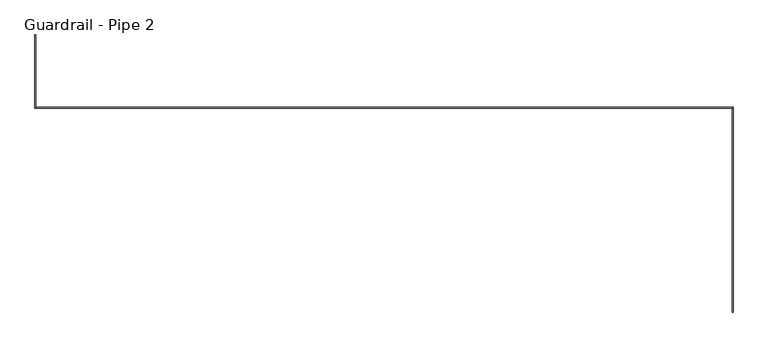
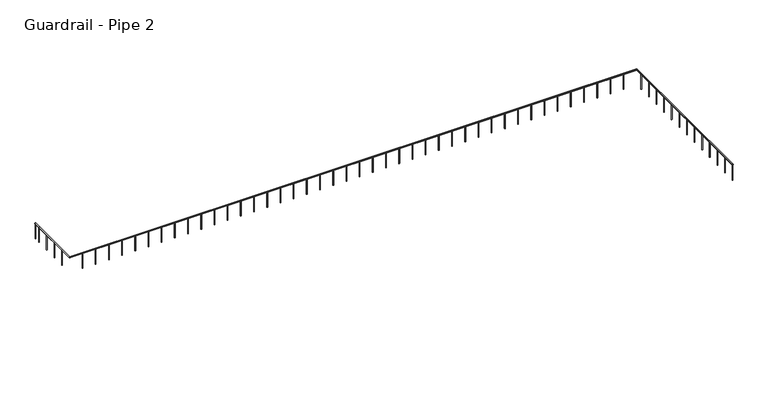
"""IFC4 building model written with IfcOpenShell, lengths in millimetres: railing geometry, Guardrail - Pipe 2."""

from ifc_helpers import new_model, si_unit, point, frame, frame_2d, origin, place, context, project, spatial, circle_curve, ellipse_curve, trimmed, segment, composite_curve, outline, extrude, source, transform, mapped, element, save
from ifc_brep_helpers import plane_surface, cylinder_surface, advanced_brep


def guardrail_pipe_2_6bdebba4(model_context):
    return source(origin(), model_context, "Body", "SolidModel", [
        advanced_brep(
        [(249357.3395419, -537655.3452305, 5010.15), (249395.4395419, -537655.3452305, 5010.15), (249357.3395419, -530003.5952305, 5010.15), (249395.4395419, -529965.4952305, 5010.15), (223162.6004676, -530003.5952305, 5010.15), (223200.7004676, -529965.4952305, 5010.15), (223162.6004676, -527241.3452305, 5010.15), (223200.7004676, -527241.3452305, 5010.15)],
        [
            (0, 1, circle_curve(frame((249376.3895419, -537655.3452305, 5010.15), z_axis=(0.0, -1.0, 0.0), x_axis=(1.0, 0.0, 0.0)), 19.05)),
            (1, 0, circle_curve(frame((249376.3895419, -537655.3452305, 5010.15), z_axis=(0.0, -1.0, 0.0), x_axis=(1.0, 0.0, 0.0)), 19.05)),
            (0, 2),
            (2, 3, ellipse_curve(frame((249376.3895419, -529984.5452305, 5010.15), z_axis=(0.7071067811865466, -0.7071067811865485, 0.0), x_axis=(-0.7071067811865485, -0.7071067811865466, 0.0)), 26.9407684, 19.05)),
            (3, 1),
            (3, 2, ellipse_curve(frame((249376.3895419, -529984.5452305, 5010.15), z_axis=(0.7071067811865466, -0.7071067811865485, 0.0), x_axis=(-0.7071067811865485, -0.7071067811865466, 0.0)), 26.9407684, 19.05)),
            (2, 4),
            (4, 5, ellipse_curve(frame((223181.6504676, -529984.5452305, 5010.15), z_axis=(0.7071067811865466, -0.7071067811865485, 0.0), x_axis=(0.7071067811865485, 0.7071067811865466, 0.0)), 26.9407684, 19.05)),
            (5, 3),
            (5, 4, ellipse_curve(frame((223181.6504676, -529984.5452305, 5010.15), z_axis=(0.7071067811865466, -0.7071067811865485, 0.0), x_axis=(0.7071067811865485, 0.7071067811865466, 0.0)), 26.9407684, 19.05)),
            (6, 7, circle_curve(frame((223181.6504676, -527241.3452305, 5010.15), z_axis=(0.0, 1.0, 0.0), x_axis=(1.0, 0.0, 0.0)), 19.05)),
            (7, 6, circle_curve(frame((223181.6504676, -527241.3452305, 5010.15), z_axis=(0.0, 1.0, 0.0), x_axis=(1.0, 0.0, 0.0)), 19.05)),
            (4, 6),
            (7, 5),
        ],
        [
            plane_surface(frame((249376.3895419, -537655.3452305, 5029.2), z_axis=(0.0, -1.0, 0.0), x_axis=(0.0, 0.0, 1.0))),
            cylinder_surface(frame((249376.3895419, -537655.3452305, 5010.15), z_axis=(0.0, -1.0, 0.0), x_axis=(1.0, 0.0, 0.0)), 19.05),
            cylinder_surface(frame((249376.3895419, -529984.5452305, 5010.15), z_axis=(1.0, 0.0, 0.0), x_axis=(0.0, 1.0, 0.0)), 19.05),
            plane_surface(frame((223181.6504676, -527241.3452305, 5029.2), z_axis=(0.0, 1.0, 0.0), x_axis=(0.0, 0.0, 1.0))),
            cylinder_surface(frame((223181.6504676, -529984.5452305, 5010.15), z_axis=(0.0, -1.0, 0.0), x_axis=(1.0, 0.0, 0.0)), 19.05),
        ],
        [
            (0, [[1, 2]]),
            (1, [[-1, 3, 4, 5]]),
            (1, [[-2, -5, 6, -3]]),
            (2, [[-4, 7, 8, 9]]),
            (2, [[-6, -9, 10, -7]]),
            (3, [[11, 12]]),
            (4, [[-8, 13, -12, 14]]),
            (4, [[-10, -14, -11, -13]]),
        ],
    ),
        extrude(outline(composite_curve([segment(trimmed(circle_curve(frame_2d((223181.6504676, -527546.1452305)), 12.7), [point((223168.9504676, -527546.1452305))], [point((223194.3504676, -527546.1452305))], False, "CARTESIAN"), True, "CONTINUOUS"), segment(trimmed(circle_curve(frame_2d((223181.6504676, -527546.1452305)), 12.7), [point((223194.3504676, -527546.1452305))], [point((223168.9504676, -527546.1452305))], False, "CARTESIAN"), True, "CONTINUOUS")], self_intersect=False)), frame((0.0, 0.0, 4267.2), z_axis=(0.0, 0.0, 1.0), x_axis=(1.0, 0.0, 0.0)), (0.0, 0.0, 1.0), 723.9),
        extrude(outline(composite_curve([segment(trimmed(circle_curve(frame_2d((223181.6504676, -528155.7452305)), 12.7), [point((223168.9504676, -528155.7452305))], [point((223194.3504676, -528155.7452305))], False, "CARTESIAN"), True, "CONTINUOUS"), segment(trimmed(circle_curve(frame_2d((223181.6504676, -528155.7452305)), 12.7), [point((223194.3504676, -528155.7452305))], [point((223168.9504676, -528155.7452305))], False, "CARTESIAN"), True, "CONTINUOUS")], self_intersect=False)), frame((0.0, 0.0, 4267.2), z_axis=(0.0, 0.0, 1.0), x_axis=(1.0, 0.0, 0.0)), (0.0, 0.0, 1.0), 723.9),
        extrude(outline(composite_curve([segment(trimmed(circle_curve(frame_2d((223181.6504676, -528765.3452305)), 12.7), [point((223168.9504676, -528765.3452305))], [point((223194.3504676, -528765.3452305))], False, "CARTESIAN"), True, "CONTINUOUS"), segment(trimmed(circle_curve(frame_2d((223181.6504676, -528765.3452305)), 12.7), [point((223194.3504676, -528765.3452305))], [point((223168.9504676, -528765.3452305))], False, "CARTESIAN"), True, "CONTINUOUS")], self_intersect=False)), frame((0.0, 0.0, 4267.2), z_axis=(0.0, 0.0, 1.0), x_axis=(1.0, 0.0, 0.0)), (0.0, 0.0, 1.0), 723.9),
        extrude(outline(composite_curve([segment(trimmed(circle_curve(frame_2d((223181.6504676, -529374.9452305)), 12.7), [point((223168.9504676, -529374.9452305))], [point((223194.3504676, -529374.9452305))], False, "CARTESIAN"), True, "CONTINUOUS"), segment(trimmed(circle_curve(frame_2d((223181.6504676, -529374.9452305)), 12.7), [point((223194.3504676, -529374.9452305))], [point((223168.9504676, -529374.9452305))], False, "CARTESIAN"), True, "CONTINUOUS")], self_intersect=False)), frame((0.0, 0.0, 4267.2), z_axis=(0.0, 0.0, 1.0), x_axis=(1.0, 0.0, 0.0)), (0.0, 0.0, 1.0), 723.9),
        extrude(outline(composite_curve([segment(trimmed(circle_curve(frame_2d((223773.1895419, -529984.5452305)), 12.7), [point((223773.1895419, -529997.2452305))], [point((223773.1895419, -529971.8452305))], False, "CARTESIAN"), True, "CONTINUOUS"), segment(trimmed(circle_curve(frame_2d((223773.1895419, -529984.5452305)), 12.7), [point((223773.1895419, -529971.8452305))], [point((223773.1895419, -529997.2452305))], False, "CARTESIAN"), True, "CONTINUOUS")], self_intersect=False)), frame((0.0, 0.0, 4267.2), z_axis=(0.0, 0.0, 1.0), x_axis=(1.0, 0.0, 0.0)), (0.0, 0.0, 1.0), 723.9),
        extrude(outline(composite_curve([segment(trimmed(circle_curve(frame_2d((224382.7895419, -529984.5452305)), 12.7), [point((224382.7895419, -529997.2452305))], [point((224382.7895419, -529971.8452305))], False, "CARTESIAN"), True, "CONTINUOUS"), segment(trimmed(circle_curve(frame_2d((224382.7895419, -529984.5452305)), 12.7), [point((224382.7895419, -529971.8452305))], [point((224382.7895419, -529997.2452305))], False, "CARTESIAN"), True, "CONTINUOUS")], self_intersect=False)), frame((0.0, 0.0, 4267.2), z_axis=(0.0, 0.0, 1.0), x_axis=(1.0, 0.0, 0.0)), (0.0, 0.0, 1.0), 723.9),
        extrude(outline(composite_curve([segment(trimmed(circle_curve(frame_2d((224992.3895419, -529984.5452305)), 12.7), [point((224992.3895419, -529997.2452305))], [point((224992.3895419, -529971.8452305))], False, "CARTESIAN"), True, "CONTINUOUS"), segment(trimmed(circle_curve(frame_2d((224992.3895419, -529984.5452305)), 12.7), [point((224992.3895419, -529971.8452305))], [point((224992.3895419, -529997.2452305))], False, "CARTESIAN"), True, "CONTINUOUS")], self_intersect=False)), frame((0.0, 0.0, 4267.2), z_axis=(0.0, 0.0, 1.0), x_axis=(1.0, 0.0, 0.0)), (0.0, 0.0, 1.0), 723.9),
        extrude(outline(composite_curve([segment(trimmed(circle_curve(frame_2d((225601.9895419, -529984.5452305)), 12.7), [point((225601.9895419, -529997.2452305))], [point((225601.9895419, -529971.8452305))], False, "CARTESIAN"), True, "CONTINUOUS"), segment(trimmed(circle_curve(frame_2d((225601.9895419, -529984.5452305)), 12.7), [point((225601.9895419, -529971.8452305))], [point((225601.9895419, -529997.2452305))], False, "CARTESIAN"), True, "CONTINUOUS")], self_intersect=False)), frame((0.0, 0.0, 4267.2), z_axis=(0.0, 0.0, 1.0), x_axis=(1.0, 0.0, 0.0)), (0.0, 0.0, 1.0), 723.9),
        extrude(outline(composite_curve([segment(trimmed(circle_curve(frame_2d((226211.5895419, -529984.5452305)), 12.7), [point((226211.5895419, -529997.2452305))], [point((226211.5895419, -529971.8452305))], False, "CARTESIAN"), True, "CONTINUOUS"), segment(trimmed(circle_curve(frame_2d((226211.5895419, -529984.5452305)), 12.7), [point((226211.5895419, -529971.8452305))], [point((226211.5895419, -529997.2452305))], False, "CARTESIAN"), True, "CONTINUOUS")], self_intersect=False)), frame((0.0, 0.0, 4267.2), z_axis=(0.0, 0.0, 1.0), x_axis=(1.0, 0.0, 0.0)), (0.0, 0.0, 1.0), 723.9),
        extrude(outline(composite_curve([segment(trimmed(circle_curve(frame_2d((226821.1895419, -529984.5452305)), 12.7), [point((226821.1895419, -529997.2452305))], [point((226821.1895419, -529971.8452305))], False, "CARTESIAN"), True, "CONTINUOUS"), segment(trimmed(circle_curve(frame_2d((226821.1895419, -529984.5452305)), 12.7), [point((226821.1895419, -529971.8452305))], [point((226821.1895419, -529997.2452305))], False, "CARTESIAN"), True, "CONTINUOUS")], self_intersect=False)), frame((0.0, 0.0, 4267.2), z_axis=(0.0, 0.0, 1.0), x_axis=(1.0, 0.0, 0.0)), (0.0, 0.0, 1.0), 723.9),
        extrude(outline(composite_curve([segment(trimmed(circle_curve(frame_2d((227430.7895419, -529984.5452305)), 12.7), [point((227430.7895419, -529997.2452305))], [point((227430.7895419, -529971.8452305))], False, "CARTESIAN"), True, "CONTINUOUS"), segment(trimmed(circle_curve(frame_2d((227430.7895419, -529984.5452305)), 12.7), [point((227430.7895419, -529971.8452305))], [point((227430.7895419, -529997.2452305))], False, "CARTESIAN"), True, "CONTINUOUS")], self_intersect=False)), frame((0.0, 0.0, 4267.2), z_axis=(0.0, 0.0, 1.0), x_axis=(1.0, 0.0, 0.0)), (0.0, 0.0, 1.0), 723.9),
        extrude(outline(composite_curve([segment(trimmed(circle_curve(frame_2d((228040.3895419, -529984.5452305)), 12.7), [point((228040.3895419, -529997.2452305))], [point((228040.3895419, -529971.8452305))], False, "CARTESIAN"), True, "CONTINUOUS"), segment(trimmed(circle_curve(frame_2d((228040.3895419, -529984.5452305)), 12.7), [point((228040.3895419, -529971.8452305))], [point((228040.3895419, -529997.2452305))], False, "CARTESIAN"), True, "CONTINUOUS")], self_intersect=False)), frame((0.0, 0.0, 4267.2), z_axis=(0.0, 0.0, 1.0), x_axis=(1.0, 0.0, 0.0)), (0.0, 0.0, 1.0), 723.9),
        extrude(outline(composite_curve([segment(trimmed(circle_curve(frame_2d((228649.9895419, -529984.5452305)), 12.7), [point((228649.9895419, -529997.2452305))], [point((228649.9895419, -529971.8452305))], False, "CARTESIAN"), True, "CONTINUOUS"), segment(trimmed(circle_curve(frame_2d((228649.9895419, -529984.5452305)), 12.7), [point((228649.9895419, -529971.8452305))], [point((228649.9895419, -529997.2452305))], False, "CARTESIAN"), True, "CONTINUOUS")], self_intersect=False)), frame((0.0, 0.0, 4267.2), z_axis=(0.0, 0.0, 1.0), x_axis=(1.0, 0.0, 0.0)), (0.0, 0.0, 1.0), 723.9),
        extrude(outline(composite_curve([segment(trimmed(circle_curve(frame_2d((229259.5895419, -529984.5452305)), 12.7), [point((229259.5895419, -529997.2452305))], [point((229259.5895419, -529971.8452305))], False, "CARTESIAN"), True, "CONTINUOUS"), segment(trimmed(circle_curve(frame_2d((229259.5895419, -529984.5452305)), 12.7), [point((229259.5895419, -529971.8452305))], [point((229259.5895419, -529997.2452305))], False, "CARTESIAN"), True, "CONTINUOUS")], self_intersect=False)), frame((0.0, 0.0, 4267.2), z_axis=(0.0, 0.0, 1.0), x_axis=(1.0, 0.0, 0.0)), (0.0, 0.0, 1.0), 723.9),
        extrude(outline(composite_curve([segment(trimmed(circle_curve(frame_2d((229869.1895419, -529984.5452305)), 12.7), [point((229869.1895419, -529997.2452305))], [point((229869.1895419, -529971.8452305))], False, "CARTESIAN"), True, "CONTINUOUS"), segment(trimmed(circle_curve(frame_2d((229869.1895419, -529984.5452305)), 12.7), [point((229869.1895419, -529971.8452305))], [point((229869.1895419, -529997.2452305))], False, "CARTESIAN"), True, "CONTINUOUS")], self_intersect=False)), frame((0.0, 0.0, 4267.2), z_axis=(0.0, 0.0, 1.0), x_axis=(1.0, 0.0, 0.0)), (0.0, 0.0, 1.0), 723.9),
        extrude(outline(composite_curve([segment(trimmed(circle_curve(frame_2d((230478.7895419, -529984.5452305)), 12.7), [point((230478.7895419, -529997.2452305))], [point((230478.7895419, -529971.8452305))], False, "CARTESIAN"), True, "CONTINUOUS"), segment(trimmed(circle_curve(frame_2d((230478.7895419, -529984.5452305)), 12.7), [point((230478.7895419, -529971.8452305))], [point((230478.7895419, -529997.2452305))], False, "CARTESIAN"), True, "CONTINUOUS")], self_intersect=False)), frame((0.0, 0.0, 4267.2), z_axis=(0.0, 0.0, 1.0), x_axis=(1.0, 0.0, 0.0)), (0.0, 0.0, 1.0), 723.9),
        extrude(outline(composite_curve([segment(trimmed(circle_curve(frame_2d((231088.3895419, -529984.5452305)), 12.7), [point((231088.3895419, -529997.2452305))], [point((231088.3895419, -529971.8452305))], False, "CARTESIAN"), True, "CONTINUOUS"), segment(trimmed(circle_curve(frame_2d((231088.3895419, -529984.5452305)), 12.7), [point((231088.3895419, -529971.8452305))], [point((231088.3895419, -529997.2452305))], False, "CARTESIAN"), True, "CONTINUOUS")], self_intersect=False)), frame((0.0, 0.0, 4267.2), z_axis=(0.0, 0.0, 1.0), x_axis=(1.0, 0.0, 0.0)), (0.0, 0.0, 1.0), 723.9),
        extrude(outline(composite_curve([segment(trimmed(circle_curve(frame_2d((231697.9895419, -529984.5452305)), 12.7), [point((231697.9895419, -529997.2452305))], [point((231697.9895419, -529971.8452305))], False, "CARTESIAN"), True, "CONTINUOUS"), segment(trimmed(circle_curve(frame_2d((231697.9895419, -529984.5452305)), 12.7), [point((231697.9895419, -529971.8452305))], [point((231697.9895419, -529997.2452305))], False, "CARTESIAN"), True, "CONTINUOUS")], self_intersect=False)), frame((0.0, 0.0, 4267.2), z_axis=(0.0, 0.0, 1.0), x_axis=(1.0, 0.0, 0.0)), (0.0, 0.0, 1.0), 723.9),
        extrude(outline(composite_curve([segment(trimmed(circle_curve(frame_2d((232307.5895419, -529984.5452305)), 12.7), [point((232307.5895419, -529997.2452305))], [point((232307.5895419, -529971.8452305))], False, "CARTESIAN"), True, "CONTINUOUS"), segment(trimmed(circle_curve(frame_2d((232307.5895419, -529984.5452305)), 12.7), [point((232307.5895419, -529971.8452305))], [point((232307.5895419, -529997.2452305))], False, "CARTESIAN"), True, "CONTINUOUS")], self_intersect=False)), frame((0.0, 0.0, 4267.2), z_axis=(0.0, 0.0, 1.0), x_axis=(1.0, 0.0, 0.0)), (0.0, 0.0, 1.0), 723.9),
        extrude(outline(composite_curve([segment(trimmed(circle_curve(frame_2d((232917.1895419, -529984.5452305)), 12.7), [point((232917.1895419, -529997.2452305))], [point((232917.1895419, -529971.8452305))], False, "CARTESIAN"), True, "CONTINUOUS"), segment(trimmed(circle_curve(frame_2d((232917.1895419, -529984.5452305)), 12.7), [point((232917.1895419, -529971.8452305))], [point((232917.1895419, -529997.2452305))], False, "CARTESIAN"), True, "CONTINUOUS")], self_intersect=False)), frame((0.0, 0.0, 4267.2), z_axis=(0.0, 0.0, 1.0), x_axis=(1.0, 0.0, 0.0)), (0.0, 0.0, 1.0), 723.9),
        extrude(outline(composite_curve([segment(trimmed(circle_curve(frame_2d((233526.7895419, -529984.5452305)), 12.7), [point((233526.7895419, -529997.2452305))], [point((233526.7895419, -529971.8452305))], False, "CARTESIAN"), True, "CONTINUOUS"), segment(trimmed(circle_curve(frame_2d((233526.7895419, -529984.5452305)), 12.7), [point((233526.7895419, -529971.8452305))], [point((233526.7895419, -529997.2452305))], False, "CARTESIAN"), True, "CONTINUOUS")], self_intersect=False)), frame((0.0, 0.0, 4267.2), z_axis=(0.0, 0.0, 1.0), x_axis=(1.0, 0.0, 0.0)), (0.0, 0.0, 1.0), 723.9),
        extrude(outline(composite_curve([segment(trimmed(circle_curve(frame_2d((234136.3895419, -529984.5452305)), 12.7), [point((234136.3895419, -529997.2452305))], [point((234136.3895419, -529971.8452305))], False, "CARTESIAN"), True, "CONTINUOUS"), segment(trimmed(circle_curve(frame_2d((234136.3895419, -529984.5452305)), 12.7), [point((234136.3895419, -529971.8452305))], [point((234136.3895419, -529997.2452305))], False, "CARTESIAN"), True, "CONTINUOUS")], self_intersect=False)), frame((0.0, 0.0, 4267.2), z_axis=(0.0, 0.0, 1.0), x_axis=(1.0, 0.0, 0.0)), (0.0, 0.0, 1.0), 723.9),
        extrude(outline(composite_curve([segment(trimmed(circle_curve(frame_2d((234745.9895419, -529984.5452305)), 12.7), [point((234745.9895419, -529997.2452305))], [point((234745.9895419, -529971.8452305))], False, "CARTESIAN"), True, "CONTINUOUS"), segment(trimmed(circle_curve(frame_2d((234745.9895419, -529984.5452305)), 12.7), [point((234745.9895419, -529971.8452305))], [point((234745.9895419, -529997.2452305))], False, "CARTESIAN"), True, "CONTINUOUS")], self_intersect=False)), frame((0.0, 0.0, 4267.2), z_axis=(0.0, 0.0, 1.0), x_axis=(1.0, 0.0, 0.0)), (0.0, 0.0, 1.0), 723.9),
        extrude(outline(composite_curve([segment(trimmed(circle_curve(frame_2d((235355.5895419, -529984.5452305)), 12.7), [point((235355.5895419, -529997.2452305))], [point((235355.5895419, -529971.8452305))], False, "CARTESIAN"), True, "CONTINUOUS"), segment(trimmed(circle_curve(frame_2d((235355.5895419, -529984.5452305)), 12.7), [point((235355.5895419, -529971.8452305))], [point((235355.5895419, -529997.2452305))], False, "CARTESIAN"), True, "CONTINUOUS")], self_intersect=False)), frame((0.0, 0.0, 4267.2), z_axis=(0.0, 0.0, 1.0), x_axis=(1.0, 0.0, 0.0)), (0.0, 0.0, 1.0), 723.9),
        extrude(outline(composite_curve([segment(trimmed(circle_curve(frame_2d((235965.1895419, -529984.5452305)), 12.7), [point((235965.1895419, -529997.2452305))], [point((235965.1895419, -529971.8452305))], False, "CARTESIAN"), True, "CONTINUOUS"), segment(trimmed(circle_curve(frame_2d((235965.1895419, -529984.5452305)), 12.7), [point((235965.1895419, -529971.8452305))], [point((235965.1895419, -529997.2452305))], False, "CARTESIAN"), True, "CONTINUOUS")], self_intersect=False)), frame((0.0, 0.0, 4267.2), z_axis=(0.0, 0.0, 1.0), x_axis=(1.0, 0.0, 0.0)), (0.0, 0.0, 1.0), 723.9),
        extrude(outline(composite_curve([segment(trimmed(circle_curve(frame_2d((236574.7895419, -529984.5452305)), 12.7), [point((236574.7895419, -529997.2452305))], [point((236574.7895419, -529971.8452305))], False, "CARTESIAN"), True, "CONTINUOUS"), segment(trimmed(circle_curve(frame_2d((236574.7895419, -529984.5452305)), 12.7), [point((236574.7895419, -529971.8452305))], [point((236574.7895419, -529997.2452305))], False, "CARTESIAN"), True, "CONTINUOUS")], self_intersect=False)), frame((0.0, 0.0, 4267.2), z_axis=(0.0, 0.0, 1.0), x_axis=(1.0, 0.0, 0.0)), (0.0, 0.0, 1.0), 723.9),
        extrude(outline(composite_curve([segment(trimmed(circle_curve(frame_2d((237184.3895419, -529984.5452305)), 12.7), [point((237184.3895419, -529997.2452305))], [point((237184.3895419, -529971.8452305))], False, "CARTESIAN"), True, "CONTINUOUS"), segment(trimmed(circle_curve(frame_2d((237184.3895419, -529984.5452305)), 12.7), [point((237184.3895419, -529971.8452305))], [point((237184.3895419, -529997.2452305))], False, "CARTESIAN"), True, "CONTINUOUS")], self_intersect=False)), frame((0.0, 0.0, 4267.2), z_axis=(0.0, 0.0, 1.0), x_axis=(1.0, 0.0, 0.0)), (0.0, 0.0, 1.0), 723.9),
        extrude(outline(composite_curve([segment(trimmed(circle_curve(frame_2d((237793.9895419, -529984.5452305)), 12.7), [point((237793.9895419, -529997.2452305))], [point((237793.9895419, -529971.8452305))], False, "CARTESIAN"), True, "CONTINUOUS"), segment(trimmed(circle_curve(frame_2d((237793.9895419, -529984.5452305)), 12.7), [point((237793.9895419, -529971.8452305))], [point((237793.9895419, -529997.2452305))], False, "CARTESIAN"), True, "CONTINUOUS")], self_intersect=False)), frame((0.0, 0.0, 4267.2), z_axis=(0.0, 0.0, 1.0), x_axis=(1.0, 0.0, 0.0)), (0.0, 0.0, 1.0), 723.9),
        extrude(outline(composite_curve([segment(trimmed(circle_curve(frame_2d((238403.5895419, -529984.5452305)), 12.7), [point((238403.5895419, -529997.2452305))], [point((238403.5895419, -529971.8452305))], False, "CARTESIAN"), True, "CONTINUOUS"), segment(trimmed(circle_curve(frame_2d((238403.5895419, -529984.5452305)), 12.7), [point((238403.5895419, -529971.8452305))], [point((238403.5895419, -529997.2452305))], False, "CARTESIAN"), True, "CONTINUOUS")], self_intersect=False)), frame((0.0, 0.0, 4267.2), z_axis=(0.0, 0.0, 1.0), x_axis=(1.0, 0.0, 0.0)), (0.0, 0.0, 1.0), 723.9),
        extrude(outline(composite_curve([segment(trimmed(circle_curve(frame_2d((239013.1895419, -529984.5452305)), 12.7), [point((239013.1895419, -529997.2452305))], [point((239013.1895419, -529971.8452305))], False, "CARTESIAN"), True, "CONTINUOUS"), segment(trimmed(circle_curve(frame_2d((239013.1895419, -529984.5452305)), 12.7), [point((239013.1895419, -529971.8452305))], [point((239013.1895419, -529997.2452305))], False, "CARTESIAN"), True, "CONTINUOUS")], self_intersect=False)), frame((0.0, 0.0, 4267.2), z_axis=(0.0, 0.0, 1.0), x_axis=(1.0, 0.0, 0.0)), (0.0, 0.0, 1.0), 723.9),
        extrude(outline(composite_curve([segment(trimmed(circle_curve(frame_2d((239622.7895419, -529984.5452305)), 12.7), [point((239622.7895419, -529997.2452305))], [point((239622.7895419, -529971.8452305))], False, "CARTESIAN"), True, "CONTINUOUS"), segment(trimmed(circle_curve(frame_2d((239622.7895419, -529984.5452305)), 12.7), [point((239622.7895419, -529971.8452305))], [point((239622.7895419, -529997.2452305))], False, "CARTESIAN"), True, "CONTINUOUS")], self_intersect=False)), frame((0.0, 0.0, 4267.2), z_axis=(0.0, 0.0, 1.0), x_axis=(1.0, 0.0, 0.0)), (0.0, 0.0, 1.0), 723.9),
        extrude(outline(composite_curve([segment(trimmed(circle_curve(frame_2d((240232.3895419, -529984.5452305)), 12.7), [point((240232.3895419, -529997.2452305))], [point((240232.3895419, -529971.8452305))], False, "CARTESIAN"), True, "CONTINUOUS"), segment(trimmed(circle_curve(frame_2d((240232.3895419, -529984.5452305)), 12.7), [point((240232.3895419, -529971.8452305))], [point((240232.3895419, -529997.2452305))], False, "CARTESIAN"), True, "CONTINUOUS")], self_intersect=False)), frame((0.0, 0.0, 4267.2), z_axis=(0.0, 0.0, 1.0), x_axis=(1.0, 0.0, 0.0)), (0.0, 0.0, 1.0), 723.9),
        extrude(outline(composite_curve([segment(trimmed(circle_curve(frame_2d((240841.9895419, -529984.5452305)), 12.7), [point((240841.9895419, -529997.2452305))], [point((240841.9895419, -529971.8452305))], False, "CARTESIAN"), True, "CONTINUOUS"), segment(trimmed(circle_curve(frame_2d((240841.9895419, -529984.5452305)), 12.7), [point((240841.9895419, -529971.8452305))], [point((240841.9895419, -529997.2452305))], False, "CARTESIAN"), True, "CONTINUOUS")], self_intersect=False)), frame((0.0, 0.0, 4267.2), z_axis=(0.0, 0.0, 1.0), x_axis=(1.0, 0.0, 0.0)), (0.0, 0.0, 1.0), 723.9),
        extrude(outline(composite_curve([segment(trimmed(circle_curve(frame_2d((241451.5895419, -529984.5452305)), 12.7), [point((241451.5895419, -529997.2452305))], [point((241451.5895419, -529971.8452305))], False, "CARTESIAN"), True, "CONTINUOUS"), segment(trimmed(circle_curve(frame_2d((241451.5895419, -529984.5452305)), 12.7), [point((241451.5895419, -529971.8452305))], [point((241451.5895419, -529997.2452305))], False, "CARTESIAN"), True, "CONTINUOUS")], self_intersect=False)), frame((0.0, 0.0, 4267.2), z_axis=(0.0, 0.0, 1.0), x_axis=(1.0, 0.0, 0.0)), (0.0, 0.0, 1.0), 723.9),
        extrude(outline(composite_curve([segment(trimmed(circle_curve(frame_2d((242061.1895419, -529984.5452305)), 12.7), [point((242061.1895419, -529997.2452305))], [point((242061.1895419, -529971.8452305))], False, "CARTESIAN"), True, "CONTINUOUS"), segment(trimmed(circle_curve(frame_2d((242061.1895419, -529984.5452305)), 12.7), [point((242061.1895419, -529971.8452305))], [point((242061.1895419, -529997.2452305))], False, "CARTESIAN"), True, "CONTINUOUS")], self_intersect=False)), frame((0.0, 0.0, 4267.2), z_axis=(0.0, 0.0, 1.0), x_axis=(1.0, 0.0, 0.0)), (0.0, 0.0, 1.0), 723.9),
        extrude(outline(composite_curve([segment(trimmed(circle_curve(frame_2d((242670.7895419, -529984.5452305)), 12.7), [point((242670.7895419, -529997.2452305))], [point((242670.7895419, -529971.8452305))], False, "CARTESIAN"), True, "CONTINUOUS"), segment(trimmed(circle_curve(frame_2d((242670.7895419, -529984.5452305)), 12.7), [point((242670.7895419, -529971.8452305))], [point((242670.7895419, -529997.2452305))], False, "CARTESIAN"), True, "CONTINUOUS")], self_intersect=False)), frame((0.0, 0.0, 4267.2), z_axis=(0.0, 0.0, 1.0), x_axis=(1.0, 0.0, 0.0)), (0.0, 0.0, 1.0), 723.9),
        extrude(outline(composite_curve([segment(trimmed(circle_curve(frame_2d((243280.3895419, -529984.5452305)), 12.7), [point((243280.3895419, -529997.2452305))], [point((243280.3895419, -529971.8452305))], False, "CARTESIAN"), True, "CONTINUOUS"), segment(trimmed(circle_curve(frame_2d((243280.3895419, -529984.5452305)), 12.7), [point((243280.3895419, -529971.8452305))], [point((243280.3895419, -529997.2452305))], False, "CARTESIAN"), True, "CONTINUOUS")], self_intersect=False)), frame((0.0, 0.0, 4267.2), z_axis=(0.0, 0.0, 1.0), x_axis=(1.0, 0.0, 0.0)), (0.0, 0.0, 1.0), 723.9),
        extrude(outline(composite_curve([segment(trimmed(circle_curve(frame_2d((243889.9895419, -529984.5452305)), 12.7), [point((243889.9895419, -529997.2452305))], [point((243889.9895419, -529971.8452305))], False, "CARTESIAN"), True, "CONTINUOUS"), segment(trimmed(circle_curve(frame_2d((243889.9895419, -529984.5452305)), 12.7), [point((243889.9895419, -529971.8452305))], [point((243889.9895419, -529997.2452305))], False, "CARTESIAN"), True, "CONTINUOUS")], self_intersect=False)), frame((0.0, 0.0, 4267.2), z_axis=(0.0, 0.0, 1.0), x_axis=(1.0, 0.0, 0.0)), (0.0, 0.0, 1.0), 723.9),
        extrude(outline(composite_curve([segment(trimmed(circle_curve(frame_2d((244499.5895419, -529984.5452305)), 12.7), [point((244499.5895419, -529997.2452305))], [point((244499.5895419, -529971.8452305))], False, "CARTESIAN"), True, "CONTINUOUS"), segment(trimmed(circle_curve(frame_2d((244499.5895419, -529984.5452305)), 12.7), [point((244499.5895419, -529971.8452305))], [point((244499.5895419, -529997.2452305))], False, "CARTESIAN"), True, "CONTINUOUS")], self_intersect=False)), frame((0.0, 0.0, 4267.2), z_axis=(0.0, 0.0, 1.0), x_axis=(1.0, 0.0, 0.0)), (0.0, 0.0, 1.0), 723.9),
        extrude(outline(composite_curve([segment(trimmed(circle_curve(frame_2d((245109.1895419, -529984.5452305)), 12.7), [point((245109.1895419, -529997.2452305))], [point((245109.1895419, -529971.8452305))], False, "CARTESIAN"), True, "CONTINUOUS"), segment(trimmed(circle_curve(frame_2d((245109.1895419, -529984.5452305)), 12.7), [point((245109.1895419, -529971.8452305))], [point((245109.1895419, -529997.2452305))], False, "CARTESIAN"), True, "CONTINUOUS")], self_intersect=False)), frame((0.0, 0.0, 4267.2), z_axis=(0.0, 0.0, 1.0), x_axis=(1.0, 0.0, 0.0)), (0.0, 0.0, 1.0), 723.9),
        extrude(outline(composite_curve([segment(trimmed(circle_curve(frame_2d((245718.7895419, -529984.5452305)), 12.7), [point((245718.7895419, -529997.2452305))], [point((245718.7895419, -529971.8452305))], False, "CARTESIAN"), True, "CONTINUOUS"), segment(trimmed(circle_curve(frame_2d((245718.7895419, -529984.5452305)), 12.7), [point((245718.7895419, -529971.8452305))], [point((245718.7895419, -529997.2452305))], False, "CARTESIAN"), True, "CONTINUOUS")], self_intersect=False)), frame((0.0, 0.0, 4267.2), z_axis=(0.0, 0.0, 1.0), x_axis=(1.0, 0.0, 0.0)), (0.0, 0.0, 1.0), 723.9),
        extrude(outline(composite_curve([segment(trimmed(circle_curve(frame_2d((246328.3895419, -529984.5452305)), 12.7), [point((246328.3895419, -529997.2452305))], [point((246328.3895419, -529971.8452305))], False, "CARTESIAN"), True, "CONTINUOUS"), segment(trimmed(circle_curve(frame_2d((246328.3895419, -529984.5452305)), 12.7), [point((246328.3895419, -529971.8452305))], [point((246328.3895419, -529997.2452305))], False, "CARTESIAN"), True, "CONTINUOUS")], self_intersect=False)), frame((0.0, 0.0, 4267.2), z_axis=(0.0, 0.0, 1.0), x_axis=(1.0, 0.0, 0.0)), (0.0, 0.0, 1.0), 723.9),
        extrude(outline(composite_curve([segment(trimmed(circle_curve(frame_2d((246937.9895419, -529984.5452305)), 12.7), [point((246937.9895419, -529997.2452305))], [point((246937.9895419, -529971.8452305))], False, "CARTESIAN"), True, "CONTINUOUS"), segment(trimmed(circle_curve(frame_2d((246937.9895419, -529984.5452305)), 12.7), [point((246937.9895419, -529971.8452305))], [point((246937.9895419, -529997.2452305))], False, "CARTESIAN"), True, "CONTINUOUS")], self_intersect=False)), frame((0.0, 0.0, 4267.2), z_axis=(0.0, 0.0, 1.0), x_axis=(1.0, 0.0, 0.0)), (0.0, 0.0, 1.0), 723.9),
        extrude(outline(composite_curve([segment(trimmed(circle_curve(frame_2d((247547.5895419, -529984.5452305)), 12.7), [point((247547.5895419, -529997.2452305))], [point((247547.5895419, -529971.8452305))], False, "CARTESIAN"), True, "CONTINUOUS"), segment(trimmed(circle_curve(frame_2d((247547.5895419, -529984.5452305)), 12.7), [point((247547.5895419, -529971.8452305))], [point((247547.5895419, -529997.2452305))], False, "CARTESIAN"), True, "CONTINUOUS")], self_intersect=False)), frame((0.0, 0.0, 4267.2), z_axis=(0.0, 0.0, 1.0), x_axis=(1.0, 0.0, 0.0)), (0.0, 0.0, 1.0), 723.9),
        extrude(outline(composite_curve([segment(trimmed(circle_curve(frame_2d((248157.1895419, -529984.5452305)), 12.7), [point((248157.1895419, -529997.2452305))], [point((248157.1895419, -529971.8452305))], False, "CARTESIAN"), True, "CONTINUOUS"), segment(trimmed(circle_curve(frame_2d((248157.1895419, -529984.5452305)), 12.7), [point((248157.1895419, -529971.8452305))], [point((248157.1895419, -529997.2452305))], False, "CARTESIAN"), True, "CONTINUOUS")], self_intersect=False)), frame((0.0, 0.0, 4267.2), z_axis=(0.0, 0.0, 1.0), x_axis=(1.0, 0.0, 0.0)), (0.0, 0.0, 1.0), 723.9),
        extrude(outline(composite_curve([segment(trimmed(circle_curve(frame_2d((248766.7895419, -529984.5452305)), 12.7), [point((248766.7895419, -529997.2452305))], [point((248766.7895419, -529971.8452305))], False, "CARTESIAN"), True, "CONTINUOUS"), segment(trimmed(circle_curve(frame_2d((248766.7895419, -529984.5452305)), 12.7), [point((248766.7895419, -529971.8452305))], [point((248766.7895419, -529997.2452305))], False, "CARTESIAN"), True, "CONTINUOUS")], self_intersect=False)), frame((0.0, 0.0, 4267.2), z_axis=(0.0, 0.0, 1.0), x_axis=(1.0, 0.0, 0.0)), (0.0, 0.0, 1.0), 723.9),
        extrude(outline(composite_curve([segment(trimmed(circle_curve(frame_2d((249376.3895419, -530340.1452305)), 12.7), [point((249363.6895419, -530340.1452305))], [point((249389.0895419, -530340.1452305))], False, "CARTESIAN"), True, "CONTINUOUS"), segment(trimmed(circle_curve(frame_2d((249376.3895419, -530340.1452305)), 12.7), [point((249389.0895419, -530340.1452305))], [point((249363.6895419, -530340.1452305))], False, "CARTESIAN"), True, "CONTINUOUS")], self_intersect=False)), frame((0.0, 0.0, 4267.2), z_axis=(0.0, 0.0, 1.0), x_axis=(1.0, 0.0, 0.0)), (0.0, 0.0, 1.0), 723.9),
        extrude(outline(composite_curve([segment(trimmed(circle_curve(frame_2d((249376.3895419, -530949.7452305)), 12.7), [point((249363.6895419, -530949.7452305))], [point((249389.0895419, -530949.7452305))], False, "CARTESIAN"), True, "CONTINUOUS"), segment(trimmed(circle_curve(frame_2d((249376.3895419, -530949.7452305)), 12.7), [point((249389.0895419, -530949.7452305))], [point((249363.6895419, -530949.7452305))], False, "CARTESIAN"), True, "CONTINUOUS")], self_intersect=False)), frame((0.0, 0.0, 4267.2), z_axis=(0.0, 0.0, 1.0), x_axis=(1.0, 0.0, 0.0)), (0.0, 0.0, 1.0), 723.9),
        extrude(outline(composite_curve([segment(trimmed(circle_curve(frame_2d((249376.3895419, -531559.3452305)), 12.7), [point((249363.6895419, -531559.3452305))], [point((249389.0895419, -531559.3452305))], False, "CARTESIAN"), True, "CONTINUOUS"), segment(trimmed(circle_curve(frame_2d((249376.3895419, -531559.3452305)), 12.7), [point((249389.0895419, -531559.3452305))], [point((249363.6895419, -531559.3452305))], False, "CARTESIAN"), True, "CONTINUOUS")], self_intersect=False)), frame((0.0, 0.0, 4267.2), z_axis=(0.0, 0.0, 1.0), x_axis=(1.0, 0.0, 0.0)), (0.0, 0.0, 1.0), 723.9),
        extrude(outline(composite_curve([segment(trimmed(circle_curve(frame_2d((249376.3895419, -532168.9452305)), 12.7), [point((249363.6895419, -532168.9452305))], [point((249389.0895419, -532168.9452305))], False, "CARTESIAN"), True, "CONTINUOUS"), segment(trimmed(circle_curve(frame_2d((249376.3895419, -532168.9452305)), 12.7), [point((249389.0895419, -532168.9452305))], [point((249363.6895419, -532168.9452305))], False, "CARTESIAN"), True, "CONTINUOUS")], self_intersect=False)), frame((0.0, 0.0, 4267.2), z_axis=(0.0, 0.0, 1.0), x_axis=(1.0, 0.0, 0.0)), (0.0, 0.0, 1.0), 723.9),
        extrude(outline(composite_curve([segment(trimmed(circle_curve(frame_2d((249376.3895419, -532778.5452305)), 12.7), [point((249363.6895419, -532778.5452305))], [point((249389.0895419, -532778.5452305))], False, "CARTESIAN"), True, "CONTINUOUS"), segment(trimmed(circle_curve(frame_2d((249376.3895419, -532778.5452305)), 12.7), [point((249389.0895419, -532778.5452305))], [point((249363.6895419, -532778.5452305))], False, "CARTESIAN"), True, "CONTINUOUS")], self_intersect=False)), frame((0.0, 0.0, 4267.2), z_axis=(0.0, 0.0, 1.0), x_axis=(1.0, 0.0, 0.0)), (0.0, 0.0, 1.0), 723.9),
        extrude(outline(composite_curve([segment(trimmed(circle_curve(frame_2d((249376.3895419, -533388.1452305)), 12.7), [point((249363.6895419, -533388.1452305))], [point((249389.0895419, -533388.1452305))], False, "CARTESIAN"), True, "CONTINUOUS"), segment(trimmed(circle_curve(frame_2d((249376.3895419, -533388.1452305)), 12.7), [point((249389.0895419, -533388.1452305))], [point((249363.6895419, -533388.1452305))], False, "CARTESIAN"), True, "CONTINUOUS")], self_intersect=False)), frame((0.0, 0.0, 4267.2), z_axis=(0.0, 0.0, 1.0), x_axis=(1.0, 0.0, 0.0)), (0.0, 0.0, 1.0), 723.9),
        extrude(outline(composite_curve([segment(trimmed(circle_curve(frame_2d((249376.3895419, -533997.7452305)), 12.7), [point((249363.6895419, -533997.7452305))], [point((249389.0895419, -533997.7452305))], False, "CARTESIAN"), True, "CONTINUOUS"), segment(trimmed(circle_curve(frame_2d((249376.3895419, -533997.7452305)), 12.7), [point((249389.0895419, -533997.7452305))], [point((249363.6895419, -533997.7452305))], False, "CARTESIAN"), True, "CONTINUOUS")], self_intersect=False)), frame((0.0, 0.0, 4267.2), z_axis=(0.0, 0.0, 1.0), x_axis=(1.0, 0.0, 0.0)), (0.0, 0.0, 1.0), 723.9),
        extrude(outline(composite_curve([segment(trimmed(circle_curve(frame_2d((249376.3895419, -534607.3452305)), 12.7), [point((249363.6895419, -534607.3452305))], [point((249389.0895419, -534607.3452305))], False, "CARTESIAN"), True, "CONTINUOUS"), segment(trimmed(circle_curve(frame_2d((249376.3895419, -534607.3452305)), 12.7), [point((249389.0895419, -534607.3452305))], [point((249363.6895419, -534607.3452305))], False, "CARTESIAN"), True, "CONTINUOUS")], self_intersect=False)), frame((0.0, 0.0, 4267.2), z_axis=(0.0, 0.0, 1.0), x_axis=(1.0, 0.0, 0.0)), (0.0, 0.0, 1.0), 723.9),
        extrude(outline(composite_curve([segment(trimmed(circle_curve(frame_2d((249376.3895419, -535216.9452305)), 12.7), [point((249363.6895419, -535216.9452305))], [point((249389.0895419, -535216.9452305))], False, "CARTESIAN"), True, "CONTINUOUS"), segment(trimmed(circle_curve(frame_2d((249376.3895419, -535216.9452305)), 12.7), [point((249389.0895419, -535216.9452305))], [point((249363.6895419, -535216.9452305))], False, "CARTESIAN"), True, "CONTINUOUS")], self_intersect=False)), frame((0.0, 0.0, 4267.2), z_axis=(0.0, 0.0, 1.0), x_axis=(1.0, 0.0, 0.0)), (0.0, 0.0, 1.0), 723.9),
        extrude(outline(composite_curve([segment(trimmed(circle_curve(frame_2d((249376.3895419, -535826.5452305)), 12.7), [point((249363.6895419, -535826.5452305))], [point((249389.0895419, -535826.5452305))], False, "CARTESIAN"), True, "CONTINUOUS"), segment(trimmed(circle_curve(frame_2d((249376.3895419, -535826.5452305)), 12.7), [point((249389.0895419, -535826.5452305))], [point((249363.6895419, -535826.5452305))], False, "CARTESIAN"), True, "CONTINUOUS")], self_intersect=False)), frame((0.0, 0.0, 4267.2), z_axis=(0.0, 0.0, 1.0), x_axis=(1.0, 0.0, 0.0)), (0.0, 0.0, 1.0), 723.9),
        extrude(outline(composite_curve([segment(trimmed(circle_curve(frame_2d((249376.3895419, -536436.1452305)), 12.7), [point((249363.6895419, -536436.1452305))], [point((249389.0895419, -536436.1452305))], False, "CARTESIAN"), True, "CONTINUOUS"), segment(trimmed(circle_curve(frame_2d((249376.3895419, -536436.1452305)), 12.7), [point((249389.0895419, -536436.1452305))], [point((249363.6895419, -536436.1452305))], False, "CARTESIAN"), True, "CONTINUOUS")], self_intersect=False)), frame((0.0, 0.0, 4267.2), z_axis=(0.0, 0.0, 1.0), x_axis=(1.0, 0.0, 0.0)), (0.0, 0.0, 1.0), 723.9),
        extrude(outline(composite_curve([segment(trimmed(circle_curve(frame_2d((249376.3895419, -537045.7452305)), 12.7), [point((249363.6895419, -537045.7452305))], [point((249389.0895419, -537045.7452305))], False, "CARTESIAN"), True, "CONTINUOUS"), segment(trimmed(circle_curve(frame_2d((249376.3895419, -537045.7452305)), 12.7), [point((249389.0895419, -537045.7452305))], [point((249363.6895419, -537045.7452305))], False, "CARTESIAN"), True, "CONTINUOUS")], self_intersect=False)), frame((0.0, 0.0, 4267.2), z_axis=(0.0, 0.0, 1.0), x_axis=(1.0, 0.0, 0.0)), (0.0, 0.0, 1.0), 723.9),
        extrude(outline(composite_curve([segment(trimmed(circle_curve(frame_2d((223181.6504676, -527254.0452305)), 12.7), [point((223168.9504676, -527254.0452305))], [point((223194.3504676, -527254.0452305))], False, "CARTESIAN"), True, "CONTINUOUS"), segment(trimmed(circle_curve(frame_2d((223181.6504676, -527254.0452305)), 12.7), [point((223194.3504676, -527254.0452305))], [point((223168.9504676, -527254.0452305))], False, "CARTESIAN"), True, "CONTINUOUS")], self_intersect=False)), frame((0.0, 0.0, 4267.2), z_axis=(0.0, 0.0, 1.0), x_axis=(1.0, 0.0, 0.0)), (0.0, 0.0, 1.0), 723.9),
        extrude(outline(composite_curve([segment(trimmed(circle_curve(frame_2d((249376.3895419, -537642.6452305)), 12.7), [point((249363.6895419, -537642.6452305))], [point((249389.0895419, -537642.6452305))], False, "CARTESIAN"), True, "CONTINUOUS"), segment(trimmed(circle_curve(frame_2d((249376.3895419, -537642.6452305)), 12.7), [point((249389.0895419, -537642.6452305))], [point((249363.6895419, -537642.6452305))], False, "CARTESIAN"), True, "CONTINUOUS")], self_intersect=False)), frame((0.0, 0.0, 4267.2), z_axis=(0.0, 0.0, 1.0), x_axis=(1.0, 0.0, 0.0)), (0.0, 0.0, 1.0), 723.9),
    ])


if __name__ == "__main__":
    model = new_model("IFC4")
    model_context = context("Model", 3, world=origin())
    ifc_project = project(units=[si_unit("LENGTHUNIT", "METRE", prefix="MILLI")], contexts=[model_context])
    site = spatial("IfcSite", under=ifc_project)
    building = spatial("IfcBuilding", under=site)
    placement = place(None, origin())
    guardrail_pipe_2_shape = guardrail_pipe_2_6bdebba4(model_context)
    element("IfcRailing", 1, ObjectType="Guardrail - Pipe 2", at=placement, inside=building, context=model_context, shape_type="MappedRepresentation", body=[
        mapped(guardrail_pipe_2_shape, transform((0.0, 0.0, 0.0), x_axis=(1.0, 0.0, 0.0), y_axis=(0.0, 1.0, 0.0), z_axis=(0.0, 0.0, 1.0))),
    ])
    save(model, "model.ifc")
